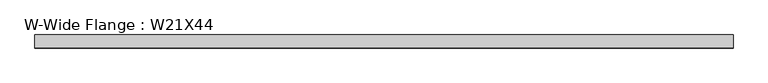
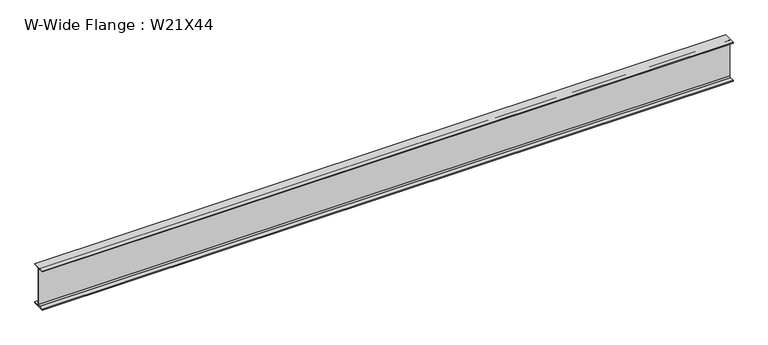
"""IFC4 building model written with IfcOpenShell, lengths in millimetres: beam geometry, W-Wide Flange : W21X44."""

import ifcopenshell
import ifcopenshell.guid

model = None  # the IFC model being written
_history = None  # IfcOwnerHistory: only IFC2X3 demands one
_inside = {}  # id of a spatial element -> (the spatial element, [elements in it])
_under = {}  # id of a project, library or spatial element -> (it, [spatial elements below it])
_declared = {}  # id of a project -> (the project, [libraries it declares])
_typed = {}  # id of a type object -> (the type object, [elements of that type])
_made_of = {}  # id of a material, layer set ... -> (it, [elements and type objects made of it])


def new_model(schema):
    """Start an empty IFC model of exactly this schema.

    Asked for "IFC4X3", IfcOpenShell would pick the latest addendum, in which some entities
    have other attributes; the version numbers below select the first issue.
    IFC2X3 requires an IfcOwnerHistory on every rooted entity: one is made here for all.
    """
    global model, _history
    if schema == "IFC4X3":
        model = ifcopenshell.file(schema_version=(4, 3, 0, 0))
    else:
        model = ifcopenshell.file(schema=schema)
    _inside.clear()
    _under.clear()
    _declared.clear()
    _typed.clear()
    _made_of.clear()
    _history = None
    if model.schema == "IFC2X3":
        org = make("IfcOrganization", Name="unknown")
        user = make(
            "IfcPersonAndOrganization",
            ThePerson=make("IfcPerson", FamilyName="unknown"),
            TheOrganization=org,
        )
        app = make(
            "IfcApplication",
            ApplicationDeveloper=org,
            Version="unknown",
            ApplicationFullName="unknown",
            ApplicationIdentifier="unknown",
        )
        _history = make(
            "IfcOwnerHistory",
            OwningUser=user,
            OwningApplication=app,
            ChangeAction="ADDED",
            CreationDate=0,
        )
    return model


def make(cls, **values):
    """One entity of the class cls with the attributes given. An attribute that is None is left unset."""
    return model.create_entity(
        cls, **{name: value for name, value in values.items() if value is not None}
    )


def rooted(cls, **values):
    """An entity with a GlobalId (a new one), such as an element, a storey or a relation."""
    return make(cls, GlobalId=ifcopenshell.guid.new(), OwnerHistory=_history, **values)


def si_unit(unit_type, name, prefix=None):
    """IfcSIUnit, for example si_unit("LENGTHUNIT", "METRE", prefix="MILLI")."""
    return make("IfcSIUnit", UnitType=unit_type, Prefix=prefix, Name=name)


def assignment(units):
    """IfcUnitAssignment: the units of a project."""
    return None if units is None else make("IfcUnitAssignment", Units=units)


def point(xyz):
    """IfcCartesianPoint."""
    return None if xyz is None else make("IfcCartesianPoint", Coordinates=xyz)


def direction(xyz):
    """IfcDirection."""
    return None if xyz is None else make("IfcDirection", DirectionRatios=xyz)


def frame(location, z_axis=None, x_axis=None):
    """IfcAxis2Placement3D, a coordinate frame: its origin and axes. An axis left out is left unset."""
    return make(
        "IfcAxis2Placement3D",
        Location=point(location),
        Axis=direction(z_axis),
        RefDirection=direction(x_axis),
    )


def frame_2d(location, x_axis=None):
    """IfcAxis2Placement2D, a coordinate frame in the plane: its origin and x axis."""
    return make(
        "IfcAxis2Placement2D", Location=point(location), RefDirection=direction(x_axis)
    )


def origin():
    """The frame at (0, 0, 0) with its axes left unset."""
    return frame((0.0, 0.0, 0.0))


def place(relative_to, where):
    """IfcLocalPlacement: puts the frame where relative to a parent placement (None: the world)."""
    return make(
        "IfcLocalPlacement", PlacementRelTo=relative_to, RelativePlacement=where
    )


def context(
    kind, dimensions, precision=None, world=None, true_north=None, identifier=None
):
    """IfcGeometricRepresentationContext, for example the 3D "Model" context."""
    return make(
        "IfcGeometricRepresentationContext",
        ContextIdentifier=identifier,
        ContextType=kind,
        CoordinateSpaceDimension=dimensions,
        Precision=precision,
        WorldCoordinateSystem=world,
        TrueNorth=true_north,
    )


def project(units=None, contexts=None):
    """IfcProject with its units and contexts."""
    return rooted(
        "IfcProject",
        Name="project",
        RepresentationContexts=contexts,
        UnitsInContext=assignment(units),
    )


def spatial(cls, under=None, at=None, **own):
    """A site, building, storey or space (cls), placed at a placement, below another one or the project."""
    s = rooted(cls, ObjectPlacement=at, **own)
    if under is not None:
        _under.setdefault(under.id(), (under, []))[1].append(s)
    return s


def polyline(points):
    """IfcPolyline through the points."""
    return make("IfcPolyline", Points=[point(p) for p in points])


def circle_curve(where, radius):
    """IfcCircle in the frame where."""
    return make("IfcCircle", Position=where, Radius=radius)


def trimmed(basis, trim1, trim2, sense, master):
    """IfcTrimmedCurve: the piece of a basis curve between two trims."""
    return make(
        "IfcTrimmedCurve",
        BasisCurve=basis,
        Trim1=trim1,
        Trim2=trim2,
        SenseAgreement=sense,
        MasterRepresentation=master,
    )


def segment(curve, same_sense, transition):
    """IfcCompositeCurveSegment."""
    return make(
        "IfcCompositeCurveSegment",
        Transition=transition,
        SameSense=same_sense,
        ParentCurve=curve,
    )


def composite_curve(segments, self_intersect=None):
    """IfcCompositeCurve: segments joined end to end."""
    return make("IfcCompositeCurve", Segments=segments, SelfIntersect=self_intersect)


def outline(outer, holes=None, kind="AREA"):
    """IfcArbitraryClosedProfileDef: a profile drawn as a closed curve; with holes, ...WithVoids."""
    if holes is None:
        return make("IfcArbitraryClosedProfileDef", ProfileType=kind, OuterCurve=outer)
    return make(
        "IfcArbitraryProfileDefWithVoids",
        ProfileType=kind,
        OuterCurve=outer,
        InnerCurves=holes,
    )


def extrude(swept, where, along, depth):
    """IfcExtrudedAreaSolid: the profile swept, set in the frame where, extruded along a direction by depth."""
    return make(
        "IfcExtrudedAreaSolid",
        SweptArea=swept,
        Position=where,
        ExtrudedDirection=direction(along),
        Depth=depth,
    )


def shape(context_of_items, identifier, shape_type, items):
    """IfcShapeRepresentation: the items that make up one representation, for example the "Body"."""
    return make(
        "IfcShapeRepresentation",
        ContextOfItems=context_of_items,
        RepresentationIdentifier=identifier,
        RepresentationType=shape_type,
        Items=items,
    )


def source(mapping_origin, context_of_items, identifier, shape_type, items):
    """IfcRepresentationMap: a shape defined once, which mapped items show again and again."""
    return make(
        "IfcRepresentationMap",
        MappingOrigin=mapping_origin,
        MappedRepresentation=shape(context_of_items, identifier, shape_type, items),
    )


def transform(
    local_origin,
    x_axis=None,
    y_axis=None,
    z_axis=None,
    scale=None,
    scale2=None,
    scale3=None,
    uniform=True,
):
    """IfcCartesianTransformationOperator3D, or its non-uniform kind. x_axis, y_axis, z_axis: its Axis1, 2, 3."""
    if uniform:
        return make(
            "IfcCartesianTransformationOperator3D",
            Axis1=direction(x_axis),
            Axis2=direction(y_axis),
            LocalOrigin=point(local_origin),
            Scale=scale,
            Axis3=direction(z_axis),
        )
    return make(
        "IfcCartesianTransformationOperator3DnonUniform",
        Axis1=direction(x_axis),
        Axis2=direction(y_axis),
        LocalOrigin=point(local_origin),
        Scale=scale,
        Axis3=direction(z_axis),
        Scale2=scale2,
        Scale3=scale3,
    )


def mapped(mapping_source, mapping_target):
    """IfcMappedItem: shows the shape of a source again, moved by a transform."""
    return make(
        "IfcMappedItem", MappingSource=mapping_source, MappingTarget=mapping_target
    )


def made_of(thing, what):
    """Note that an element or type object is made of a material, layer set ...; save() writes the relation."""
    if what is not None:
        _made_of.setdefault(what.id(), (what, []))[1].append(thing)
    return thing


def element(
    cls,
    number,
    at=None,
    inside=None,
    cuts=None,
    type_object=None,
    material=None,
    context=None,
    identifier="Body",
    shape_type=None,
    held_by="IfcProductDefinitionShape",
    body=None,
    shapes=None,
    **own,
):
    """One element of the class cls, such as IfcWall. Its Tag is "e" and its number.

    at: its placement. inside: the storey or other place that contains it. cuts: it is an
    opening in that element (IfcRelVoidsElement). A single representation is given by context,
    identifier, shape_type and body (its items); several are given by shapes. held_by: the class
    of the entity that holds the representations. save() writes the other relations.
    """
    e = rooted(cls, Tag="e%d" % number, ObjectPlacement=at, **own)
    if body is not None:
        shapes = [shape(context, identifier, shape_type, body)]
    if shapes is not None:
        e.Representation = make(held_by, Representations=shapes)
    if inside is not None:
        _inside.setdefault(inside.id(), (inside, []))[1].append(e)
    if cuts is not None:
        rooted(
            "IfcRelVoidsElement", RelatingBuildingElement=cuts, RelatedOpeningElement=e
        )
    if type_object is not None:
        _typed.setdefault(type_object.id(), (type_object, []))[1].append(e)
    return made_of(e, material)


def aggregate(whole, parts):
    """IfcRelAggregates: a whole, such as a stair, and the parts it consists of."""
    return rooted("IfcRelAggregates", RelatingObject=whole, RelatedObjects=parts)


def save(model, path):
    """Write the relations noted so far, then the file.

    IfcRelAggregates (storeys below a building ...), IfcRelContainedInSpatialStructure (elements
    in a storey), IfcRelDefinesByType, IfcRelAssociatesMaterial and IfcRelDeclares: one each for
    every whole, place, type object, material and project.
    """
    for whole, parts in _under.values():
        aggregate(whole, parts)
    for where, things in _inside.values():
        rooted(
            "IfcRelContainedInSpatialStructure",
            RelatedElements=things,
            RelatingStructure=where,
        )
    for kind, things in _typed.values():
        rooted("IfcRelDefinesByType", RelatedObjects=things, RelatingType=kind)
    for what, things in _made_of.values():
        rooted("IfcRelAssociatesMaterial", RelatedObjects=things, RelatingMaterial=what)
    for by, libraries in _declared.values():
        rooted("IfcRelDeclares", RelatingContext=by, RelatedDefinitions=libraries)
    model.write(path)


def w_wide_flange_w21x44_aff7d689(model_context):
    return source(origin(), model_context, "Body", "SweptSolid", [
        extrude(outline(composite_curve([segment(polyline([(82.55, -251.4699219), (82.55, -262.8800781), (-82.55, -262.8800781), (-82.55, -251.4699219), (-21.6296875, -251.4699219)]), True, "CONTINUOUS"), segment(trimmed(circle_curve(frame_2d((-21.6296875, -234.3050781)), 17.1648437), [point((-21.6296875, -251.4699219))], [point((-4.4648438, -234.3050781))], True, "CARTESIAN"), True, "CONTINUOUS"), segment(polyline([(-4.4648438, -234.3050781), (-4.4648438, 234.3050781)]), True, "CONTINUOUS"), segment(trimmed(circle_curve(frame_2d((-21.6296875, 234.3050781)), 17.1648437), [point((-4.4648438, 234.3050781))], [point((-21.6296875, 251.4699219))], True, "CARTESIAN"), True, "CONTINUOUS"), segment(polyline([(-21.6296875, 251.4699219), (-82.55, 251.4699219), (-82.55, 262.8800781), (82.55, 262.8800781), (82.55, 251.4699219), (21.6296875, 251.4699219)]), True, "CONTINUOUS"), segment(trimmed(circle_curve(frame_2d((21.6296875, 234.3050781)), 17.1648437), [point((21.6296875, 251.4699219))], [point((4.4648437, 234.3050781))], True, "CARTESIAN"), True, "CONTINUOUS"), segment(polyline([(4.4648437, 234.3050781), (4.4648437, -234.3050781)]), True, "CONTINUOUS"), segment(trimmed(circle_curve(frame_2d((21.6296875, -234.3050781)), 17.1648437), [point((4.4648437, -234.3050781))], [point((21.6296875, -251.4699219))], True, "CARTESIAN"), True, "CONTINUOUS"), segment(polyline([(21.6296875, -251.4699219), (82.55, -251.4699219)]), True, "CONTINUOUS")], self_intersect=False)), frame((-4404.3699219, 0.0, 0.0), z_axis=(1.0, 0.0, 0.0), x_axis=(0.0, 1.0, 0.0)), (0.0, 0.0, 1.0), 8808.7398438),
    ])


if __name__ == "__main__":
    model = new_model("IFC4")
    model_context = context("Model", 3, world=origin())
    ifc_project = project(units=[si_unit("LENGTHUNIT", "METRE", prefix="MILLI")], contexts=[model_context])
    site = spatial("IfcSite", under=ifc_project)
    building = spatial("IfcBuilding", under=site)
    placement = place(None, origin())
    w_wide_flange_w21x44_shape = w_wide_flange_w21x44_aff7d689(model_context)
    element("IfcBeam", 1, ObjectType="W-Wide Flange : W21X44", at=placement, inside=building, context=model_context, shape_type="MappedRepresentation", body=[
        mapped(w_wide_flange_w21x44_shape, transform((0.0, 0.0, 0.0), x_axis=(1.0, 0.0, 0.0), y_axis=(0.0, 1.0, 0.0), z_axis=(0.0, 0.0, 1.0))),
    ])
    save(model, "model.ifc")
